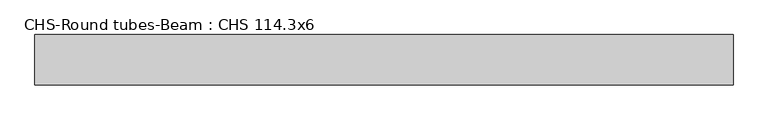
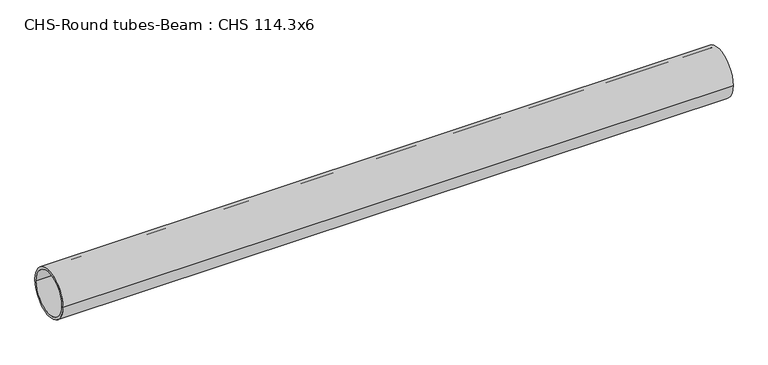
"""IFC4 building model written with IfcOpenShell, lengths in millimetres: beam geometry, CHS-Round tubes-Beam : CHS 114.3x6."""

from ifc_helpers import new_model, si_unit, point, frame, origin, origin_2d, place, context, project, spatial, circle_curve, trimmed, segment, composite_curve, outline, extrude, source, transform, mapped, element, save


def chs_round_tubes_beam_chs_114_3x6_ed5f6af4(model_context):
    return source(origin(), model_context, "Body", "SweptSolid", [
        extrude(outline(composite_curve([segment(trimmed(circle_curve(origin_2d(), 57.15), [point((57.15, 0.0))], [point((-57.15, 0.0))], False, "CARTESIAN"), True, "CONTINUOUS"), segment(trimmed(circle_curve(origin_2d(), 57.15), [point((-57.15, 0.0))], [point((57.15, 0.0))], False, "CARTESIAN"), True, "CONTINUOUS")], self_intersect=False), holes=[composite_curve([segment(trimmed(circle_curve(origin_2d(), 51.15), [point((51.15, 0.0))], [point((-51.15, 0.0))], True, "CARTESIAN"), True, "CONTINUOUS"), segment(trimmed(circle_curve(origin_2d(), 51.15), [point((-51.15, 0.0))], [point((51.15, 0.0))], True, "CARTESIAN"), True, "CONTINUOUS")], self_intersect=False)]), frame((-783.6462487, 0.0, 0.0), z_axis=(1.0, 0.0, 0.0), x_axis=(0.0, 1.0, 0.0)), (0.0, 0.0, 1.0), 1579.7608093),
    ])


if __name__ == "__main__":
    model = new_model("IFC4")
    model_context = context("Model", 3, world=origin())
    ifc_project = project(units=[si_unit("LENGTHUNIT", "METRE", prefix="MILLI")], contexts=[model_context])
    site = spatial("IfcSite", under=ifc_project)
    building = spatial("IfcBuilding", under=site)
    placement = place(None, origin())
    chs_round_tubes_beam_chs_114_3x6_shape = chs_round_tubes_beam_chs_114_3x6_ed5f6af4(model_context)
    element("IfcBeam", 1, ObjectType="CHS-Round tubes-Beam : CHS 114.3x6", at=placement, inside=building, context=model_context, shape_type="MappedRepresentation", body=[
        mapped(chs_round_tubes_beam_chs_114_3x6_shape, transform((0.0, 0.0, 0.0), x_axis=(1.0, 0.0, 0.0), y_axis=(0.0, 1.0, 0.0), z_axis=(0.0, 0.0, 1.0))),
    ])
    save(model, "model.ifc")
